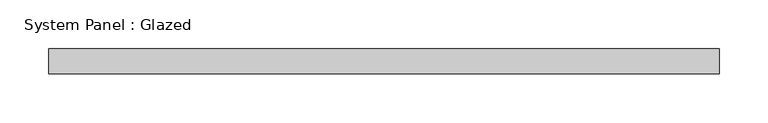
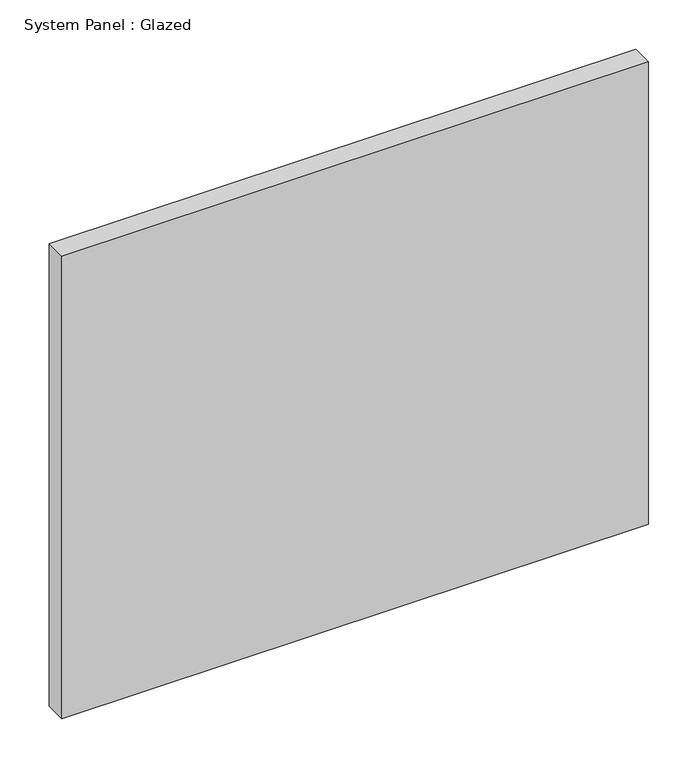
"""IFC4 building model written with IfcOpenShell, lengths in millimetres: plate geometry, System Panel : Glazed."""

from ifc_helpers import new_model, si_unit, origin, origin_with_axes, place, context, project, spatial, polyline, outline, extrude, source, transform, mapped, element, save


def system_panel_glazed_122eccb2(model_context):
    return source(origin(), model_context, "Body", "SweptSolid", [
        extrude(outline(polyline([(342.9, -44.45), (-342.9, -44.45), (-342.9, -19.05), (342.9, -19.05), (342.9, -44.45)])), origin_with_axes(), (0.0, 0.0, 1.0), 571.5),
    ])


if __name__ == "__main__":
    model = new_model("IFC4")
    model_context = context("Model", 3, world=origin())
    ifc_project = project(units=[si_unit("LENGTHUNIT", "METRE", prefix="MILLI")], contexts=[model_context])
    site = spatial("IfcSite", under=ifc_project)
    building = spatial("IfcBuilding", under=site)
    placement = place(None, origin())
    system_panel_glazed_shape = system_panel_glazed_122eccb2(model_context)
    element("IfcPlate", 1, ObjectType="System Panel : Glazed", at=placement, inside=building, context=model_context, shape_type="MappedRepresentation", body=[
        mapped(system_panel_glazed_shape, transform((0.0, 0.0, 0.0), x_axis=(1.0, 0.0, 0.0), y_axis=(0.0, 1.0, 0.0), z_axis=(0.0, 0.0, 1.0))),
    ])
    save(model, "model.ifc")
